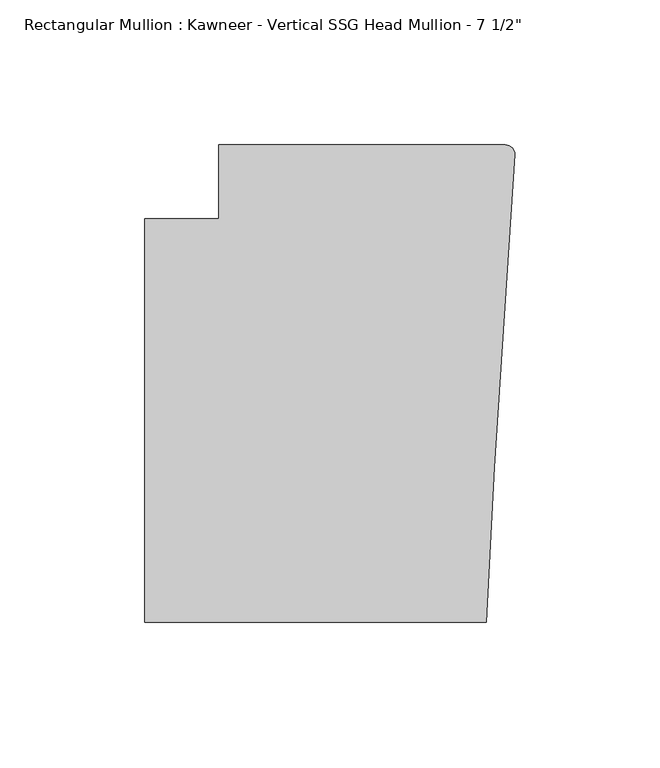
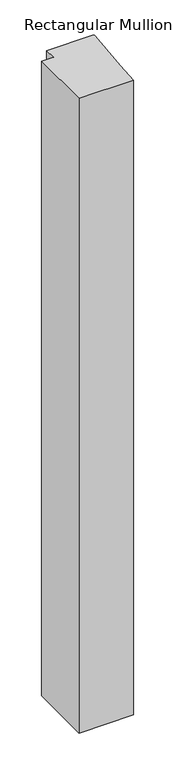
"""IFC4 building model written with IfcOpenShell, lengths in millimetres: member geometry."""

from ifc_helpers import new_model, si_unit, point, frame, frame_2d, origin, place, context, project, spatial, polyline, circle_curve, trimmed, segment, composite_curve, outline, extrude, source, transform, mapped, element, save


def member_e6c176a0(model_context):
    return source(origin(), model_context, "Body", "SweptSolid", [
        extrude(outline(composite_curve([segment(polyline([(-102.08978, 12.7), (-3.175, 12.7)]), True, "CONTINUOUS"), segment(trimmed(circle_curve(frame_2d((-3.175, 9.525)), 3.175), [point((-3.175, 12.7))], [point((-0.006635, 9.3198462))], False, "CARTESIAN"), True, "CONTINUOUS"), segment(polyline([(-0.006635, 9.3198462), (-6.9873394, -98.4891117), (-9.7860662, -151.892), (-127.4896668, -151.892), (-127.4896668, -12.7), (-102.08978, -12.7), (-102.08978, 12.7)]), True, "CONTINUOUS")], self_intersect=False)), frame((0.0, 0.0, -1443.5556369), z_axis=(0.0, 0.0, 1.0), x_axis=(1.0, 0.0, 0.0)), (0.0, 0.0, 1.0), 1443.5556369),
    ])


if __name__ == "__main__":
    model = new_model("IFC4")
    model_context = context("Model", 3, world=origin())
    ifc_project = project(units=[si_unit("LENGTHUNIT", "METRE", prefix="MILLI")], contexts=[model_context])
    site = spatial("IfcSite", under=ifc_project)
    building = spatial("IfcBuilding", under=site)
    placement = place(None, origin())
    member_shape = member_e6c176a0(model_context)
    element("IfcMember", 1, ObjectType="Rectangular Mullion : Kawneer - Vertical SSG Head Mullion - 7 1/2\"", at=placement, inside=building, context=model_context, shape_type="MappedRepresentation", body=[
        mapped(member_shape, transform((0.0, 0.0, 0.0), x_axis=(1.0, 0.0, 0.0), y_axis=(0.0, 1.0, 0.0), z_axis=(0.0, 0.0, 1.0))),
    ])
    save(model, "model.ifc")
